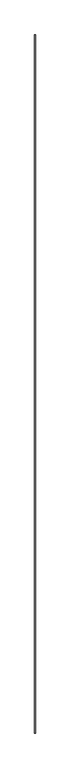
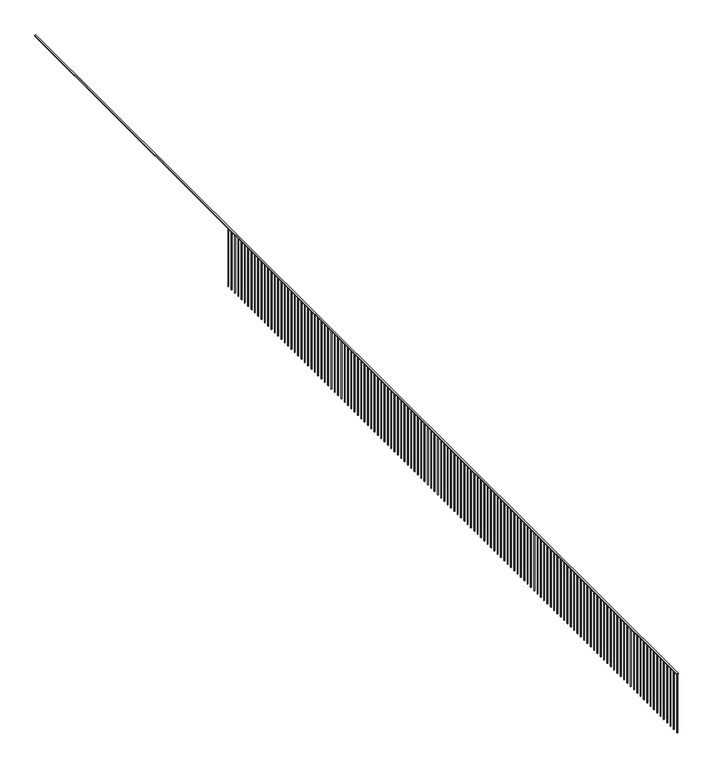
"""IFC4 building model written with IfcOpenShell, lengths in millimetres: railing geometry."""

from ifc_helpers import new_model, si_unit, frame, origin, place, context, project, spatial, polyline, outline, extrude, source, transform, mapped, element, save


def railing_a6a28116(model_context):
    return source(origin(), model_context, "Body", "SweptSolid", [
        extrude(outline(polyline([(58140.1428488, 42427.9846524), (58190.1428488, 42427.9846524), (58190.1428488, -10672.0153476), (58140.1428488, -10672.0153476), (58140.1428488, 42427.9846524)])), frame((0.0, 0.0, 4850.0), z_axis=(0.0, 0.0, 1.0), x_axis=(1.0, 0.0, 0.0)), (0.0, 0.0, 1.0), 50.0),
        extrude(outline(polyline([(58152.6428488, -10634.5153476), (58177.6428488, -10634.5153476), (58177.6428488, -10659.5153476), (58152.6428488, -10659.5153476), (58152.6428488, -10634.5153476)])), frame((0.0, 0.0, 1900.0), z_axis=(0.0, 0.0, 1.0), x_axis=(1.0, 0.0, 0.0)), (0.0, 0.0, 1.0), 2950.0),
        extrude(outline(polyline([(58152.6428488, -10359.5153476), (58177.6428488, -10359.5153476), (58177.6428488, -10384.5153476), (58152.6428488, -10384.5153476), (58152.6428488, -10359.5153476)])), frame((0.0, 0.0, 1900.0), z_axis=(0.0, 0.0, 1.0), x_axis=(1.0, 0.0, 0.0)), (0.0, 0.0, 1.0), 2950.0),
        extrude(outline(polyline([(58152.6428488, -10084.5153476), (58177.6428488, -10084.5153476), (58177.6428488, -10109.5153476), (58152.6428488, -10109.5153476), (58152.6428488, -10084.5153476)])), frame((0.0, 0.0, 1900.0), z_axis=(0.0, 0.0, 1.0), x_axis=(1.0, 0.0, 0.0)), (0.0, 0.0, 1.0), 2950.0),
        extrude(outline(polyline([(58152.6428488, -9809.5153476), (58177.6428488, -9809.5153476), (58177.6428488, -9834.5153476), (58152.6428488, -9834.5153476), (58152.6428488, -9809.5153476)])), frame((0.0, 0.0, 1900.0), z_axis=(0.0, 0.0, 1.0), x_axis=(1.0, 0.0, 0.0)), (0.0, 0.0, 1.0), 2950.0),
        extrude(outline(polyline([(58152.6428488, -9534.5153476), (58177.6428488, -9534.5153476), (58177.6428488, -9559.5153476), (58152.6428488, -9559.5153476), (58152.6428488, -9534.5153476)])), frame((0.0, 0.0, 1900.0), z_axis=(0.0, 0.0, 1.0), x_axis=(1.0, 0.0, 0.0)), (0.0, 0.0, 1.0), 2950.0),
        extrude(outline(polyline([(58152.6428488, -9259.5153476), (58177.6428488, -9259.5153476), (58177.6428488, -9284.5153476), (58152.6428488, -9284.5153476), (58152.6428488, -9259.5153476)])), frame((0.0, 0.0, 1900.0), z_axis=(0.0, 0.0, 1.0), x_axis=(1.0, 0.0, 0.0)), (0.0, 0.0, 1.0), 2950.0),
        extrude(outline(polyline([(58152.6428488, -8984.5153476), (58177.6428488, -8984.5153476), (58177.6428488, -9009.5153476), (58152.6428488, -9009.5153476), (58152.6428488, -8984.5153476)])), frame((0.0, 0.0, 1900.0), z_axis=(0.0, 0.0, 1.0), x_axis=(1.0, 0.0, 0.0)), (0.0, 0.0, 1.0), 2950.0),
        extrude(outline(polyline([(58152.6428488, -8709.5153476), (58177.6428488, -8709.5153476), (58177.6428488, -8734.5153476), (58152.6428488, -8734.5153476), (58152.6428488, -8709.5153476)])), frame((0.0, 0.0, 1900.0), z_axis=(0.0, 0.0, 1.0), x_axis=(1.0, 0.0, 0.0)), (0.0, 0.0, 1.0), 2950.0),
        extrude(outline(polyline([(58152.6428488, -8434.5153476), (58177.6428488, -8434.5153476), (58177.6428488, -8459.5153476), (58152.6428488, -8459.5153476), (58152.6428488, -8434.5153476)])), frame((0.0, 0.0, 1900.0), z_axis=(0.0, 0.0, 1.0), x_axis=(1.0, 0.0, 0.0)), (0.0, 0.0, 1.0), 2950.0),
        extrude(outline(polyline([(58152.6428488, -8159.5153476), (58177.6428488, -8159.5153476), (58177.6428488, -8184.5153476), (58152.6428488, -8184.5153476), (58152.6428488, -8159.5153476)])), frame((0.0, 0.0, 1900.0), z_axis=(0.0, 0.0, 1.0), x_axis=(1.0, 0.0, 0.0)), (0.0, 0.0, 1.0), 2950.0),
        extrude(outline(polyline([(58152.6428488, -7884.5153476), (58177.6428488, -7884.5153476), (58177.6428488, -7909.5153476), (58152.6428488, -7909.5153476), (58152.6428488, -7884.5153476)])), frame((0.0, 0.0, 1900.0), z_axis=(0.0, 0.0, 1.0), x_axis=(1.0, 0.0, 0.0)), (0.0, 0.0, 1.0), 2950.0),
        extrude(outline(polyline([(58152.6428488, -7609.5153476), (58177.6428488, -7609.5153476), (58177.6428488, -7634.5153476), (58152.6428488, -7634.5153476), (58152.6428488, -7609.5153476)])), frame((0.0, 0.0, 1900.0), z_axis=(0.0, 0.0, 1.0), x_axis=(1.0, 0.0, 0.0)), (0.0, 0.0, 1.0), 2950.0),
        extrude(outline(polyline([(58152.6428488, -7334.5153476), (58177.6428488, -7334.5153476), (58177.6428488, -7359.5153476), (58152.6428488, -7359.5153476), (58152.6428488, -7334.5153476)])), frame((0.0, 0.0, 1900.0), z_axis=(0.0, 0.0, 1.0), x_axis=(1.0, 0.0, 0.0)), (0.0, 0.0, 1.0), 2950.0),
        extrude(outline(polyline([(58152.6428488, -7059.5153476), (58177.6428488, -7059.5153476), (58177.6428488, -7084.5153476), (58152.6428488, -7084.5153476), (58152.6428488, -7059.5153476)])), frame((0.0, 0.0, 1900.0), z_axis=(0.0, 0.0, 1.0), x_axis=(1.0, 0.0, 0.0)), (0.0, 0.0, 1.0), 2950.0),
        extrude(outline(polyline([(58152.6428488, -6784.5153476), (58177.6428488, -6784.5153476), (58177.6428488, -6809.5153476), (58152.6428488, -6809.5153476), (58152.6428488, -6784.5153476)])), frame((0.0, 0.0, 1900.0), z_axis=(0.0, 0.0, 1.0), x_axis=(1.0, 0.0, 0.0)), (0.0, 0.0, 1.0), 2950.0),
        extrude(outline(polyline([(58152.6428488, -6509.5153476), (58177.6428488, -6509.5153476), (58177.6428488, -6534.5153476), (58152.6428488, -6534.5153476), (58152.6428488, -6509.5153476)])), frame((0.0, 0.0, 1900.0), z_axis=(0.0, 0.0, 1.0), x_axis=(1.0, 0.0, 0.0)), (0.0, 0.0, 1.0), 2950.0),
        extrude(outline(polyline([(58152.6428488, -6234.5153476), (58177.6428488, -6234.5153476), (58177.6428488, -6259.5153476), (58152.6428488, -6259.5153476), (58152.6428488, -6234.5153476)])), frame((0.0, 0.0, 1900.0), z_axis=(0.0, 0.0, 1.0), x_axis=(1.0, 0.0, 0.0)), (0.0, 0.0, 1.0), 2950.0),
        extrude(outline(polyline([(58152.6428488, -5959.5153476), (58177.6428488, -5959.5153476), (58177.6428488, -5984.5153476), (58152.6428488, -5984.5153476), (58152.6428488, -5959.5153476)])), frame((0.0, 0.0, 1900.0), z_axis=(0.0, 0.0, 1.0), x_axis=(1.0, 0.0, 0.0)), (0.0, 0.0, 1.0), 2950.0),
        extrude(outline(polyline([(58152.6428488, -5684.5153476), (58177.6428488, -5684.5153476), (58177.6428488, -5709.5153476), (58152.6428488, -5709.5153476), (58152.6428488, -5684.5153476)])), frame((0.0, 0.0, 1900.0), z_axis=(0.0, 0.0, 1.0), x_axis=(1.0, 0.0, 0.0)), (0.0, 0.0, 1.0), 2950.0),
        extrude(outline(polyline([(58152.6428488, -5409.5153476), (58177.6428488, -5409.5153476), (58177.6428488, -5434.5153476), (58152.6428488, -5434.5153476), (58152.6428488, -5409.5153476)])), frame((0.0, 0.0, 1900.0), z_axis=(0.0, 0.0, 1.0), x_axis=(1.0, 0.0, 0.0)), (0.0, 0.0, 1.0), 2950.0),
        extrude(outline(polyline([(58152.6428488, -5134.5153476), (58177.6428488, -5134.5153476), (58177.6428488, -5159.5153476), (58152.6428488, -5159.5153476), (58152.6428488, -5134.5153476)])), frame((0.0, 0.0, 1900.0), z_axis=(0.0, 0.0, 1.0), x_axis=(1.0, 0.0, 0.0)), (0.0, 0.0, 1.0), 2950.0),
        extrude(outline(polyline([(58152.6428488, -4859.5153476), (58177.6428488, -4859.5153476), (58177.6428488, -4884.5153476), (58152.6428488, -4884.5153476), (58152.6428488, -4859.5153476)])), frame((0.0, 0.0, 1900.0), z_axis=(0.0, 0.0, 1.0), x_axis=(1.0, 0.0, 0.0)), (0.0, 0.0, 1.0), 2950.0),
        extrude(outline(polyline([(58152.6428488, -4584.5153476), (58177.6428488, -4584.5153476), (58177.6428488, -4609.5153476), (58152.6428488, -4609.5153476), (58152.6428488, -4584.5153476)])), frame((0.0, 0.0, 1900.0), z_axis=(0.0, 0.0, 1.0), x_axis=(1.0, 0.0, 0.0)), (0.0, 0.0, 1.0), 2950.0),
        extrude(outline(polyline([(58152.6428488, -4309.5153476), (58177.6428488, -4309.5153476), (58177.6428488, -4334.5153476), (58152.6428488, -4334.5153476), (58152.6428488, -4309.5153476)])), frame((0.0, 0.0, 1900.0), z_axis=(0.0, 0.0, 1.0), x_axis=(1.0, 0.0, 0.0)), (0.0, 0.0, 1.0), 2950.0),
        extrude(outline(polyline([(58152.6428488, -4034.5153476), (58177.6428488, -4034.5153476), (58177.6428488, -4059.5153476), (58152.6428488, -4059.5153476), (58152.6428488, -4034.5153476)])), frame((0.0, 0.0, 1900.0), z_axis=(0.0, 0.0, 1.0), x_axis=(1.0, 0.0, 0.0)), (0.0, 0.0, 1.0), 2950.0),
        extrude(outline(polyline([(58152.6428488, -3759.5153476), (58177.6428488, -3759.5153476), (58177.6428488, -3784.5153476), (58152.6428488, -3784.5153476), (58152.6428488, -3759.5153476)])), frame((0.0, 0.0, 1900.0), z_axis=(0.0, 0.0, 1.0), x_axis=(1.0, 0.0, 0.0)), (0.0, 0.0, 1.0), 2950.0),
        extrude(outline(polyline([(58152.6428488, -3484.5153476), (58177.6428488, -3484.5153476), (58177.6428488, -3509.5153476), (58152.6428488, -3509.5153476), (58152.6428488, -3484.5153476)])), frame((0.0, 0.0, 1900.0), z_axis=(0.0, 0.0, 1.0), x_axis=(1.0, 0.0, 0.0)), (0.0, 0.0, 1.0), 2950.0),
        extrude(outline(polyline([(58152.6428488, -3209.5153476), (58177.6428488, -3209.5153476), (58177.6428488, -3234.5153476), (58152.6428488, -3234.5153476), (58152.6428488, -3209.5153476)])), frame((0.0, 0.0, 1900.0), z_axis=(0.0, 0.0, 1.0), x_axis=(1.0, 0.0, 0.0)), (0.0, 0.0, 1.0), 2950.0),
        extrude(outline(polyline([(58152.6428488, -2934.5153476), (58177.6428488, -2934.5153476), (58177.6428488, -2959.5153476), (58152.6428488, -2959.5153476), (58152.6428488, -2934.5153476)])), frame((0.0, 0.0, 1900.0), z_axis=(0.0, 0.0, 1.0), x_axis=(1.0, 0.0, 0.0)), (0.0, 0.0, 1.0), 2950.0),
        extrude(outline(polyline([(58152.6428488, -2659.5153476), (58177.6428488, -2659.5153476), (58177.6428488, -2684.5153476), (58152.6428488, -2684.5153476), (58152.6428488, -2659.5153476)])), frame((0.0, 0.0, 1900.0), z_axis=(0.0, 0.0, 1.0), x_axis=(1.0, 0.0, 0.0)), (0.0, 0.0, 1.0), 2950.0),
        extrude(outline(polyline([(58152.6428488, -2384.5153476), (58177.6428488, -2384.5153476), (58177.6428488, -2409.5153476), (58152.6428488, -2409.5153476), (58152.6428488, -2384.5153476)])), frame((0.0, 0.0, 1900.0), z_axis=(0.0, 0.0, 1.0), x_axis=(1.0, 0.0, 0.0)), (0.0, 0.0, 1.0), 2950.0),
        extrude(outline(polyline([(58152.6428488, -2109.5153476), (58177.6428488, -2109.5153476), (58177.6428488, -2134.5153476), (58152.6428488, -2134.5153476), (58152.6428488, -2109.5153476)])), frame((0.0, 0.0, 1900.0), z_axis=(0.0, 0.0, 1.0), x_axis=(1.0, 0.0, 0.0)), (0.0, 0.0, 1.0), 2950.0),
        extrude(outline(polyline([(58152.6428488, -1834.5153476), (58177.6428488, -1834.5153476), (58177.6428488, -1859.5153476), (58152.6428488, -1859.5153476), (58152.6428488, -1834.5153476)])), frame((0.0, 0.0, 1900.0), z_axis=(0.0, 0.0, 1.0), x_axis=(1.0, 0.0, 0.0)), (0.0, 0.0, 1.0), 2950.0),
        extrude(outline(polyline([(58152.6428488, -1559.5153476), (58177.6428488, -1559.5153476), (58177.6428488, -1584.5153476), (58152.6428488, -1584.5153476), (58152.6428488, -1559.5153476)])), frame((0.0, 0.0, 1900.0), z_axis=(0.0, 0.0, 1.0), x_axis=(1.0, 0.0, 0.0)), (0.0, 0.0, 1.0), 2950.0),
        extrude(outline(polyline([(58152.6428488, -1284.5153476), (58177.6428488, -1284.5153476), (58177.6428488, -1309.5153476), (58152.6428488, -1309.5153476), (58152.6428488, -1284.5153476)])), frame((0.0, 0.0, 1900.0), z_axis=(0.0, 0.0, 1.0), x_axis=(1.0, 0.0, 0.0)), (0.0, 0.0, 1.0), 2950.0),
        extrude(outline(polyline([(58152.6428488, -1009.5153476), (58177.6428488, -1009.5153476), (58177.6428488, -1034.5153476), (58152.6428488, -1034.5153476), (58152.6428488, -1009.5153476)])), frame((0.0, 0.0, 1900.0), z_axis=(0.0, 0.0, 1.0), x_axis=(1.0, 0.0, 0.0)), (0.0, 0.0, 1.0), 2950.0),
        extrude(outline(polyline([(58152.6428488, -734.5153476), (58177.6428488, -734.5153476), (58177.6428488, -759.5153476), (58152.6428488, -759.5153476), (58152.6428488, -734.5153476)])), frame((0.0, 0.0, 1900.0), z_axis=(0.0, 0.0, 1.0), x_axis=(1.0, 0.0, 0.0)), (0.0, 0.0, 1.0), 2950.0),
        extrude(outline(polyline([(58152.6428488, -459.5153476), (58177.6428488, -459.5153476), (58177.6428488, -484.5153476), (58152.6428488, -484.5153476), (58152.6428488, -459.5153476)])), frame((0.0, 0.0, 1900.0), z_axis=(0.0, 0.0, 1.0), x_axis=(1.0, 0.0, 0.0)), (0.0, 0.0, 1.0), 2950.0),
        extrude(outline(polyline([(58152.6428488, -184.5153476), (58177.6428488, -184.5153476), (58177.6428488, -209.5153476), (58152.6428488, -209.5153476), (58152.6428488, -184.5153476)])), frame((0.0, 0.0, 1900.0), z_axis=(0.0, 0.0, 1.0), x_axis=(1.0, 0.0, 0.0)), (0.0, 0.0, 1.0), 2950.0),
        extrude(outline(polyline([(58152.6428488, 90.4846524), (58177.6428488, 90.4846524), (58177.6428488, 65.4846524), (58152.6428488, 65.4846524), (58152.6428488, 90.4846524)])), frame((0.0, 0.0, 1900.0), z_axis=(0.0, 0.0, 1.0), x_axis=(1.0, 0.0, 0.0)), (0.0, 0.0, 1.0), 2950.0),
        extrude(outline(polyline([(58152.6428488, 365.4846524), (58177.6428488, 365.4846524), (58177.6428488, 340.4846524), (58152.6428488, 340.4846524), (58152.6428488, 365.4846524)])), frame((0.0, 0.0, 1900.0), z_axis=(0.0, 0.0, 1.0), x_axis=(1.0, 0.0, 0.0)), (0.0, 0.0, 1.0), 2950.0),
        extrude(outline(polyline([(58152.6428488, 640.4846524), (58177.6428488, 640.4846524), (58177.6428488, 615.4846524), (58152.6428488, 615.4846524), (58152.6428488, 640.4846524)])), frame((0.0, 0.0, 1900.0), z_axis=(0.0, 0.0, 1.0), x_axis=(1.0, 0.0, 0.0)), (0.0, 0.0, 1.0), 2950.0),
        extrude(outline(polyline([(58152.6428488, 915.4846524), (58177.6428488, 915.4846524), (58177.6428488, 890.4846524), (58152.6428488, 890.4846524), (58152.6428488, 915.4846524)])), frame((0.0, 0.0, 1900.0), z_axis=(0.0, 0.0, 1.0), x_axis=(1.0, 0.0, 0.0)), (0.0, 0.0, 1.0), 2950.0),
        extrude(outline(polyline([(58152.6428488, 1190.4846524), (58177.6428488, 1190.4846524), (58177.6428488, 1165.4846524), (58152.6428488, 1165.4846524), (58152.6428488, 1190.4846524)])), frame((0.0, 0.0, 1900.0), z_axis=(0.0, 0.0, 1.0), x_axis=(1.0, 0.0, 0.0)), (0.0, 0.0, 1.0), 2950.0),
        extrude(outline(polyline([(58152.6428488, 1465.4846524), (58177.6428488, 1465.4846524), (58177.6428488, 1440.4846524), (58152.6428488, 1440.4846524), (58152.6428488, 1465.4846524)])), frame((0.0, 0.0, 1900.0), z_axis=(0.0, 0.0, 1.0), x_axis=(1.0, 0.0, 0.0)), (0.0, 0.0, 1.0), 2950.0),
        extrude(outline(polyline([(58152.6428488, 1740.4846524), (58177.6428488, 1740.4846524), (58177.6428488, 1715.4846524), (58152.6428488, 1715.4846524), (58152.6428488, 1740.4846524)])), frame((0.0, 0.0, 1900.0), z_axis=(0.0, 0.0, 1.0), x_axis=(1.0, 0.0, 0.0)), (0.0, 0.0, 1.0), 2950.0),
        extrude(outline(polyline([(58152.6428488, 2015.4846524), (58177.6428488, 2015.4846524), (58177.6428488, 1990.4846524), (58152.6428488, 1990.4846524), (58152.6428488, 2015.4846524)])), frame((0.0, 0.0, 1900.0), z_axis=(0.0, 0.0, 1.0), x_axis=(1.0, 0.0, 0.0)), (0.0, 0.0, 1.0), 2950.0),
        extrude(outline(polyline([(58152.6428488, 2290.4846524), (58177.6428488, 2290.4846524), (58177.6428488, 2265.4846524), (58152.6428488, 2265.4846524), (58152.6428488, 2290.4846524)])), frame((0.0, 0.0, 1900.0), z_axis=(0.0, 0.0, 1.0), x_axis=(1.0, 0.0, 0.0)), (0.0, 0.0, 1.0), 2950.0),
        extrude(outline(polyline([(58152.6428488, 2565.4846524), (58177.6428488, 2565.4846524), (58177.6428488, 2540.4846524), (58152.6428488, 2540.4846524), (58152.6428488, 2565.4846524)])), frame((0.0, 0.0, 1900.0), z_axis=(0.0, 0.0, 1.0), x_axis=(1.0, 0.0, 0.0)), (0.0, 0.0, 1.0), 2950.0),
        extrude(outline(polyline([(58152.6428488, 2840.4846524), (58177.6428488, 2840.4846524), (58177.6428488, 2815.4846524), (58152.6428488, 2815.4846524), (58152.6428488, 2840.4846524)])), frame((0.0, 0.0, 1900.0), z_axis=(0.0, 0.0, 1.0), x_axis=(1.0, 0.0, 0.0)), (0.0, 0.0, 1.0), 2950.0),
        extrude(outline(polyline([(58152.6428488, 3115.4846524), (58177.6428488, 3115.4846524), (58177.6428488, 3090.4846524), (58152.6428488, 3090.4846524), (58152.6428488, 3115.4846524)])), frame((0.0, 0.0, 1900.0), z_axis=(0.0, 0.0, 1.0), x_axis=(1.0, 0.0, 0.0)), (0.0, 0.0, 1.0), 2950.0),
        extrude(outline(polyline([(58152.6428488, 3390.4846524), (58177.6428488, 3390.4846524), (58177.6428488, 3365.4846524), (58152.6428488, 3365.4846524), (58152.6428488, 3390.4846524)])), frame((0.0, 0.0, 1900.0), z_axis=(0.0, 0.0, 1.0), x_axis=(1.0, 0.0, 0.0)), (0.0, 0.0, 1.0), 2950.0),
        extrude(outline(polyline([(58152.6428488, 3665.4846524), (58177.6428488, 3665.4846524), (58177.6428488, 3640.4846524), (58152.6428488, 3640.4846524), (58152.6428488, 3665.4846524)])), frame((0.0, 0.0, 1900.0), z_axis=(0.0, 0.0, 1.0), x_axis=(1.0, 0.0, 0.0)), (0.0, 0.0, 1.0), 2950.0),
        extrude(outline(polyline([(58152.6428488, 3940.4846524), (58177.6428488, 3940.4846524), (58177.6428488, 3915.4846524), (58152.6428488, 3915.4846524), (58152.6428488, 3940.4846524)])), frame((0.0, 0.0, 1900.0), z_axis=(0.0, 0.0, 1.0), x_axis=(1.0, 0.0, 0.0)), (0.0, 0.0, 1.0), 2950.0),
        extrude(outline(polyline([(58152.6428488, 4215.4846524), (58177.6428488, 4215.4846524), (58177.6428488, 4190.4846524), (58152.6428488, 4190.4846524), (58152.6428488, 4215.4846524)])), frame((0.0, 0.0, 1900.0), z_axis=(0.0, 0.0, 1.0), x_axis=(1.0, 0.0, 0.0)), (0.0, 0.0, 1.0), 2950.0),
        extrude(outline(polyline([(58152.6428488, 4490.4846524), (58177.6428488, 4490.4846524), (58177.6428488, 4465.4846524), (58152.6428488, 4465.4846524), (58152.6428488, 4490.4846524)])), frame((0.0, 0.0, 1900.0), z_axis=(0.0, 0.0, 1.0), x_axis=(1.0, 0.0, 0.0)), (0.0, 0.0, 1.0), 2950.0),
        extrude(outline(polyline([(58152.6428488, 4765.4846524), (58177.6428488, 4765.4846524), (58177.6428488, 4740.4846524), (58152.6428488, 4740.4846524), (58152.6428488, 4765.4846524)])), frame((0.0, 0.0, 1900.0), z_axis=(0.0, 0.0, 1.0), x_axis=(1.0, 0.0, 0.0)), (0.0, 0.0, 1.0), 2950.0),
        extrude(outline(polyline([(58152.6428488, 5040.4846524), (58177.6428488, 5040.4846524), (58177.6428488, 5015.4846524), (58152.6428488, 5015.4846524), (58152.6428488, 5040.4846524)])), frame((0.0, 0.0, 1900.0), z_axis=(0.0, 0.0, 1.0), x_axis=(1.0, 0.0, 0.0)), (0.0, 0.0, 1.0), 2950.0),
        extrude(outline(polyline([(58152.6428488, 5315.4846524), (58177.6428488, 5315.4846524), (58177.6428488, 5290.4846524), (58152.6428488, 5290.4846524), (58152.6428488, 5315.4846524)])), frame((0.0, 0.0, 1900.0), z_axis=(0.0, 0.0, 1.0), x_axis=(1.0, 0.0, 0.0)), (0.0, 0.0, 1.0), 2950.0),
        extrude(outline(polyline([(58152.6428488, 5590.4846524), (58177.6428488, 5590.4846524), (58177.6428488, 5565.4846524), (58152.6428488, 5565.4846524), (58152.6428488, 5590.4846524)])), frame((0.0, 0.0, 1900.0), z_axis=(0.0, 0.0, 1.0), x_axis=(1.0, 0.0, 0.0)), (0.0, 0.0, 1.0), 2950.0),
        extrude(outline(polyline([(58152.6428488, 5865.4846524), (58177.6428488, 5865.4846524), (58177.6428488, 5840.4846524), (58152.6428488, 5840.4846524), (58152.6428488, 5865.4846524)])), frame((0.0, 0.0, 1900.0), z_axis=(0.0, 0.0, 1.0), x_axis=(1.0, 0.0, 0.0)), (0.0, 0.0, 1.0), 2950.0),
        extrude(outline(polyline([(58152.6428488, 6140.4846524), (58177.6428488, 6140.4846524), (58177.6428488, 6115.4846524), (58152.6428488, 6115.4846524), (58152.6428488, 6140.4846524)])), frame((0.0, 0.0, 1900.0), z_axis=(0.0, 0.0, 1.0), x_axis=(1.0, 0.0, 0.0)), (0.0, 0.0, 1.0), 2950.0),
        extrude(outline(polyline([(58152.6428488, 6415.4846524), (58177.6428488, 6415.4846524), (58177.6428488, 6390.4846524), (58152.6428488, 6390.4846524), (58152.6428488, 6415.4846524)])), frame((0.0, 0.0, 1900.0), z_axis=(0.0, 0.0, 1.0), x_axis=(1.0, 0.0, 0.0)), (0.0, 0.0, 1.0), 2950.0),
        extrude(outline(polyline([(58152.6428488, 6690.4846524), (58177.6428488, 6690.4846524), (58177.6428488, 6665.4846524), (58152.6428488, 6665.4846524), (58152.6428488, 6690.4846524)])), frame((0.0, 0.0, 1900.0), z_axis=(0.0, 0.0, 1.0), x_axis=(1.0, 0.0, 0.0)), (0.0, 0.0, 1.0), 2950.0),
        extrude(outline(polyline([(58152.6428488, 6965.4846524), (58177.6428488, 6965.4846524), (58177.6428488, 6940.4846524), (58152.6428488, 6940.4846524), (58152.6428488, 6965.4846524)])), frame((0.0, 0.0, 1900.0), z_axis=(0.0, 0.0, 1.0), x_axis=(1.0, 0.0, 0.0)), (0.0, 0.0, 1.0), 2950.0),
        extrude(outline(polyline([(58152.6428488, 7240.4846524), (58177.6428488, 7240.4846524), (58177.6428488, 7215.4846524), (58152.6428488, 7215.4846524), (58152.6428488, 7240.4846524)])), frame((0.0, 0.0, 1900.0), z_axis=(0.0, 0.0, 1.0), x_axis=(1.0, 0.0, 0.0)), (0.0, 0.0, 1.0), 2950.0),
        extrude(outline(polyline([(58152.6428488, 7515.4846524), (58177.6428488, 7515.4846524), (58177.6428488, 7490.4846524), (58152.6428488, 7490.4846524), (58152.6428488, 7515.4846524)])), frame((0.0, 0.0, 1900.0), z_axis=(0.0, 0.0, 1.0), x_axis=(1.0, 0.0, 0.0)), (0.0, 0.0, 1.0), 2950.0),
        extrude(outline(polyline([(58152.6428488, 7790.4846524), (58177.6428488, 7790.4846524), (58177.6428488, 7765.4846524), (58152.6428488, 7765.4846524), (58152.6428488, 7790.4846524)])), frame((0.0, 0.0, 1900.0), z_axis=(0.0, 0.0, 1.0), x_axis=(1.0, 0.0, 0.0)), (0.0, 0.0, 1.0), 2950.0),
        extrude(outline(polyline([(58152.6428488, 8065.4846524), (58177.6428488, 8065.4846524), (58177.6428488, 8040.4846524), (58152.6428488, 8040.4846524), (58152.6428488, 8065.4846524)])), frame((0.0, 0.0, 1900.0), z_axis=(0.0, 0.0, 1.0), x_axis=(1.0, 0.0, 0.0)), (0.0, 0.0, 1.0), 2950.0),
        extrude(outline(polyline([(58152.6428488, 8340.4846524), (58177.6428488, 8340.4846524), (58177.6428488, 8315.4846524), (58152.6428488, 8315.4846524), (58152.6428488, 8340.4846524)])), frame((0.0, 0.0, 1900.0), z_axis=(0.0, 0.0, 1.0), x_axis=(1.0, 0.0, 0.0)), (0.0, 0.0, 1.0), 2950.0),
        extrude(outline(polyline([(58152.6428488, 8615.4846524), (58177.6428488, 8615.4846524), (58177.6428488, 8590.4846524), (58152.6428488, 8590.4846524), (58152.6428488, 8615.4846524)])), frame((0.0, 0.0, 1900.0), z_axis=(0.0, 0.0, 1.0), x_axis=(1.0, 0.0, 0.0)), (0.0, 0.0, 1.0), 2950.0),
        extrude(outline(polyline([(58152.6428488, 8890.4846524), (58177.6428488, 8890.4846524), (58177.6428488, 8865.4846524), (58152.6428488, 8865.4846524), (58152.6428488, 8890.4846524)])), frame((0.0, 0.0, 1900.0), z_axis=(0.0, 0.0, 1.0), x_axis=(1.0, 0.0, 0.0)), (0.0, 0.0, 1.0), 2950.0),
        extrude(outline(polyline([(58152.6428488, 9165.4846524), (58177.6428488, 9165.4846524), (58177.6428488, 9140.4846524), (58152.6428488, 9140.4846524), (58152.6428488, 9165.4846524)])), frame((0.0, 0.0, 1900.0), z_axis=(0.0, 0.0, 1.0), x_axis=(1.0, 0.0, 0.0)), (0.0, 0.0, 1.0), 2950.0),
        extrude(outline(polyline([(58152.6428488, 9440.4846524), (58177.6428488, 9440.4846524), (58177.6428488, 9415.4846524), (58152.6428488, 9415.4846524), (58152.6428488, 9440.4846524)])), frame((0.0, 0.0, 1900.0), z_axis=(0.0, 0.0, 1.0), x_axis=(1.0, 0.0, 0.0)), (0.0, 0.0, 1.0), 2950.0),
        extrude(outline(polyline([(58152.6428488, 9715.4846524), (58177.6428488, 9715.4846524), (58177.6428488, 9690.4846524), (58152.6428488, 9690.4846524), (58152.6428488, 9715.4846524)])), frame((0.0, 0.0, 1900.0), z_axis=(0.0, 0.0, 1.0), x_axis=(1.0, 0.0, 0.0)), (0.0, 0.0, 1.0), 2950.0),
        extrude(outline(polyline([(58152.6428488, 9990.4846524), (58177.6428488, 9990.4846524), (58177.6428488, 9965.4846524), (58152.6428488, 9965.4846524), (58152.6428488, 9990.4846524)])), frame((0.0, 0.0, 1900.0), z_axis=(0.0, 0.0, 1.0), x_axis=(1.0, 0.0, 0.0)), (0.0, 0.0, 1.0), 2950.0),
        extrude(outline(polyline([(58152.6428488, 10265.4846524), (58177.6428488, 10265.4846524), (58177.6428488, 10240.4846524), (58152.6428488, 10240.4846524), (58152.6428488, 10265.4846524)])), frame((0.0, 0.0, 1900.0), z_axis=(0.0, 0.0, 1.0), x_axis=(1.0, 0.0, 0.0)), (0.0, 0.0, 1.0), 2950.0),
        extrude(outline(polyline([(58152.6428488, 10540.4846524), (58177.6428488, 10540.4846524), (58177.6428488, 10515.4846524), (58152.6428488, 10515.4846524), (58152.6428488, 10540.4846524)])), frame((0.0, 0.0, 1900.0), z_axis=(0.0, 0.0, 1.0), x_axis=(1.0, 0.0, 0.0)), (0.0, 0.0, 1.0), 2950.0),
        extrude(outline(polyline([(58152.6428488, 10815.4846524), (58177.6428488, 10815.4846524), (58177.6428488, 10790.4846524), (58152.6428488, 10790.4846524), (58152.6428488, 10815.4846524)])), frame((0.0, 0.0, 1900.0), z_axis=(0.0, 0.0, 1.0), x_axis=(1.0, 0.0, 0.0)), (0.0, 0.0, 1.0), 2950.0),
        extrude(outline(polyline([(58152.6428488, 11090.4846524), (58177.6428488, 11090.4846524), (58177.6428488, 11065.4846524), (58152.6428488, 11065.4846524), (58152.6428488, 11090.4846524)])), frame((0.0, 0.0, 1900.0), z_axis=(0.0, 0.0, 1.0), x_axis=(1.0, 0.0, 0.0)), (0.0, 0.0, 1.0), 2950.0),
        extrude(outline(polyline([(58152.6428488, 11365.4846524), (58177.6428488, 11365.4846524), (58177.6428488, 11340.4846524), (58152.6428488, 11340.4846524), (58152.6428488, 11365.4846524)])), frame((0.0, 0.0, 1900.0), z_axis=(0.0, 0.0, 1.0), x_axis=(1.0, 0.0, 0.0)), (0.0, 0.0, 1.0), 2950.0),
        extrude(outline(polyline([(58152.6428488, 11640.4846524), (58177.6428488, 11640.4846524), (58177.6428488, 11615.4846524), (58152.6428488, 11615.4846524), (58152.6428488, 11640.4846524)])), frame((0.0, 0.0, 1900.0), z_axis=(0.0, 0.0, 1.0), x_axis=(1.0, 0.0, 0.0)), (0.0, 0.0, 1.0), 2950.0),
        extrude(outline(polyline([(58152.6428488, 11915.4846524), (58177.6428488, 11915.4846524), (58177.6428488, 11890.4846524), (58152.6428488, 11890.4846524), (58152.6428488, 11915.4846524)])), frame((0.0, 0.0, 1900.0), z_axis=(0.0, 0.0, 1.0), x_axis=(1.0, 0.0, 0.0)), (0.0, 0.0, 1.0), 2950.0),
        extrude(outline(polyline([(58152.6428488, 12190.4846524), (58177.6428488, 12190.4846524), (58177.6428488, 12165.4846524), (58152.6428488, 12165.4846524), (58152.6428488, 12190.4846524)])), frame((0.0, 0.0, 1900.0), z_axis=(0.0, 0.0, 1.0), x_axis=(1.0, 0.0, 0.0)), (0.0, 0.0, 1.0), 2950.0),
        extrude(outline(polyline([(58152.6428488, 12465.4846524), (58177.6428488, 12465.4846524), (58177.6428488, 12440.4846524), (58152.6428488, 12440.4846524), (58152.6428488, 12465.4846524)])), frame((0.0, 0.0, 1900.0), z_axis=(0.0, 0.0, 1.0), x_axis=(1.0, 0.0, 0.0)), (0.0, 0.0, 1.0), 2950.0),
        extrude(outline(polyline([(58152.6428488, 12740.4846524), (58177.6428488, 12740.4846524), (58177.6428488, 12715.4846524), (58152.6428488, 12715.4846524), (58152.6428488, 12740.4846524)])), frame((0.0, 0.0, 1900.0), z_axis=(0.0, 0.0, 1.0), x_axis=(1.0, 0.0, 0.0)), (0.0, 0.0, 1.0), 2950.0),
        extrude(outline(polyline([(58152.6428488, 13015.4846524), (58177.6428488, 13015.4846524), (58177.6428488, 12990.4846524), (58152.6428488, 12990.4846524), (58152.6428488, 13015.4846524)])), frame((0.0, 0.0, 1900.0), z_axis=(0.0, 0.0, 1.0), x_axis=(1.0, 0.0, 0.0)), (0.0, 0.0, 1.0), 2950.0),
        extrude(outline(polyline([(58152.6428488, 13290.4846524), (58177.6428488, 13290.4846524), (58177.6428488, 13265.4846524), (58152.6428488, 13265.4846524), (58152.6428488, 13290.4846524)])), frame((0.0, 0.0, 1900.0), z_axis=(0.0, 0.0, 1.0), x_axis=(1.0, 0.0, 0.0)), (0.0, 0.0, 1.0), 2950.0),
        extrude(outline(polyline([(58152.6428488, 13565.4846524), (58177.6428488, 13565.4846524), (58177.6428488, 13540.4846524), (58152.6428488, 13540.4846524), (58152.6428488, 13565.4846524)])), frame((0.0, 0.0, 1900.0), z_axis=(0.0, 0.0, 1.0), x_axis=(1.0, 0.0, 0.0)), (0.0, 0.0, 1.0), 2950.0),
        extrude(outline(polyline([(58152.6428488, 13840.4846524), (58177.6428488, 13840.4846524), (58177.6428488, 13815.4846524), (58152.6428488, 13815.4846524), (58152.6428488, 13840.4846524)])), frame((0.0, 0.0, 1900.0), z_axis=(0.0, 0.0, 1.0), x_axis=(1.0, 0.0, 0.0)), (0.0, 0.0, 1.0), 2950.0),
        extrude(outline(polyline([(58152.6428488, 14115.4846524), (58177.6428488, 14115.4846524), (58177.6428488, 14090.4846524), (58152.6428488, 14090.4846524), (58152.6428488, 14115.4846524)])), frame((0.0, 0.0, 1900.0), z_axis=(0.0, 0.0, 1.0), x_axis=(1.0, 0.0, 0.0)), (0.0, 0.0, 1.0), 2950.0),
        extrude(outline(polyline([(58152.6428488, 14390.4846524), (58177.6428488, 14390.4846524), (58177.6428488, 14365.4846524), (58152.6428488, 14365.4846524), (58152.6428488, 14390.4846524)])), frame((0.0, 0.0, 1900.0), z_axis=(0.0, 0.0, 1.0), x_axis=(1.0, 0.0, 0.0)), (0.0, 0.0, 1.0), 2950.0),
        extrude(outline(polyline([(58152.6428488, 14665.4846524), (58177.6428488, 14665.4846524), (58177.6428488, 14640.4846524), (58152.6428488, 14640.4846524), (58152.6428488, 14665.4846524)])), frame((0.0, 0.0, 1900.0), z_axis=(0.0, 0.0, 1.0), x_axis=(1.0, 0.0, 0.0)), (0.0, 0.0, 1.0), 2950.0),
        extrude(outline(polyline([(58152.6428488, 14940.4846524), (58177.6428488, 14940.4846524), (58177.6428488, 14915.4846524), (58152.6428488, 14915.4846524), (58152.6428488, 14940.4846524)])), frame((0.0, 0.0, 1900.0), z_axis=(0.0, 0.0, 1.0), x_axis=(1.0, 0.0, 0.0)), (0.0, 0.0, 1.0), 2950.0),
        extrude(outline(polyline([(58152.6428488, 15215.4846524), (58177.6428488, 15215.4846524), (58177.6428488, 15190.4846524), (58152.6428488, 15190.4846524), (58152.6428488, 15215.4846524)])), frame((0.0, 0.0, 1900.0), z_axis=(0.0, 0.0, 1.0), x_axis=(1.0, 0.0, 0.0)), (0.0, 0.0, 1.0), 2950.0),
        extrude(outline(polyline([(58152.6428488, 15490.4846524), (58177.6428488, 15490.4846524), (58177.6428488, 15465.4846524), (58152.6428488, 15465.4846524), (58152.6428488, 15490.4846524)])), frame((0.0, 0.0, 1900.0), z_axis=(0.0, 0.0, 1.0), x_axis=(1.0, 0.0, 0.0)), (0.0, 0.0, 1.0), 2950.0),
        extrude(outline(polyline([(58152.6428488, 15765.4846524), (58177.6428488, 15765.4846524), (58177.6428488, 15740.4846524), (58152.6428488, 15740.4846524), (58152.6428488, 15765.4846524)])), frame((0.0, 0.0, 1900.0), z_axis=(0.0, 0.0, 1.0), x_axis=(1.0, 0.0, 0.0)), (0.0, 0.0, 1.0), 2950.0),
        extrude(outline(polyline([(58152.6428488, 16040.4846524), (58177.6428488, 16040.4846524), (58177.6428488, 16015.4846524), (58152.6428488, 16015.4846524), (58152.6428488, 16040.4846524)])), frame((0.0, 0.0, 1900.0), z_axis=(0.0, 0.0, 1.0), x_axis=(1.0, 0.0, 0.0)), (0.0, 0.0, 1.0), 2950.0),
        extrude(outline(polyline([(58152.6428488, 16315.4846524), (58177.6428488, 16315.4846524), (58177.6428488, 16290.4846524), (58152.6428488, 16290.4846524), (58152.6428488, 16315.4846524)])), frame((0.0, 0.0, 1900.0), z_axis=(0.0, 0.0, 1.0), x_axis=(1.0, 0.0, 0.0)), (0.0, 0.0, 1.0), 2950.0),
        extrude(outline(polyline([(58152.6428488, 16590.4846524), (58177.6428488, 16590.4846524), (58177.6428488, 16565.4846524), (58152.6428488, 16565.4846524), (58152.6428488, 16590.4846524)])), frame((0.0, 0.0, 1900.0), z_axis=(0.0, 0.0, 1.0), x_axis=(1.0, 0.0, 0.0)), (0.0, 0.0, 1.0), 2950.0),
        extrude(outline(polyline([(58152.6428488, 16865.4846524), (58177.6428488, 16865.4846524), (58177.6428488, 16840.4846524), (58152.6428488, 16840.4846524), (58152.6428488, 16865.4846524)])), frame((0.0, 0.0, 1900.0), z_axis=(0.0, 0.0, 1.0), x_axis=(1.0, 0.0, 0.0)), (0.0, 0.0, 1.0), 2950.0),
        extrude(outline(polyline([(58152.6428488, 17140.4846524), (58177.6428488, 17140.4846524), (58177.6428488, 17115.4846524), (58152.6428488, 17115.4846524), (58152.6428488, 17140.4846524)])), frame((0.0, 0.0, 1900.0), z_axis=(0.0, 0.0, 1.0), x_axis=(1.0, 0.0, 0.0)), (0.0, 0.0, 1.0), 2950.0),
        extrude(outline(polyline([(58152.6428488, 17415.4846524), (58177.6428488, 17415.4846524), (58177.6428488, 17390.4846524), (58152.6428488, 17390.4846524), (58152.6428488, 17415.4846524)])), frame((0.0, 0.0, 1900.0), z_axis=(0.0, 0.0, 1.0), x_axis=(1.0, 0.0, 0.0)), (0.0, 0.0, 1.0), 2950.0),
        extrude(outline(polyline([(58152.6428488, 17690.4846524), (58177.6428488, 17690.4846524), (58177.6428488, 17665.4846524), (58152.6428488, 17665.4846524), (58152.6428488, 17690.4846524)])), frame((0.0, 0.0, 1900.0), z_axis=(0.0, 0.0, 1.0), x_axis=(1.0, 0.0, 0.0)), (0.0, 0.0, 1.0), 2950.0),
        extrude(outline(polyline([(58152.6428488, 17965.4846524), (58177.6428488, 17965.4846524), (58177.6428488, 17940.4846524), (58152.6428488, 17940.4846524), (58152.6428488, 17965.4846524)])), frame((0.0, 0.0, 1900.0), z_axis=(0.0, 0.0, 1.0), x_axis=(1.0, 0.0, 0.0)), (0.0, 0.0, 1.0), 2950.0),
        extrude(outline(polyline([(58152.6428488, 18240.4846524), (58177.6428488, 18240.4846524), (58177.6428488, 18215.4846524), (58152.6428488, 18215.4846524), (58152.6428488, 18240.4846524)])), frame((0.0, 0.0, 1900.0), z_axis=(0.0, 0.0, 1.0), x_axis=(1.0, 0.0, 0.0)), (0.0, 0.0, 1.0), 2950.0),
        extrude(outline(polyline([(58152.6428488, 18515.4846524), (58177.6428488, 18515.4846524), (58177.6428488, 18490.4846524), (58152.6428488, 18490.4846524), (58152.6428488, 18515.4846524)])), frame((0.0, 0.0, 1900.0), z_axis=(0.0, 0.0, 1.0), x_axis=(1.0, 0.0, 0.0)), (0.0, 0.0, 1.0), 2950.0),
        extrude(outline(polyline([(58152.6428488, 18790.4846524), (58177.6428488, 18790.4846524), (58177.6428488, 18765.4846524), (58152.6428488, 18765.4846524), (58152.6428488, 18790.4846524)])), frame((0.0, 0.0, 1900.0), z_axis=(0.0, 0.0, 1.0), x_axis=(1.0, 0.0, 0.0)), (0.0, 0.0, 1.0), 2950.0),
        extrude(outline(polyline([(58152.6428488, 19065.4846524), (58177.6428488, 19065.4846524), (58177.6428488, 19040.4846524), (58152.6428488, 19040.4846524), (58152.6428488, 19065.4846524)])), frame((0.0, 0.0, 1900.0), z_axis=(0.0, 0.0, 1.0), x_axis=(1.0, 0.0, 0.0)), (0.0, 0.0, 1.0), 2950.0),
        extrude(outline(polyline([(58152.6428488, 19340.4846524), (58177.6428488, 19340.4846524), (58177.6428488, 19315.4846524), (58152.6428488, 19315.4846524), (58152.6428488, 19340.4846524)])), frame((0.0, 0.0, 1900.0), z_axis=(0.0, 0.0, 1.0), x_axis=(1.0, 0.0, 0.0)), (0.0, 0.0, 1.0), 2950.0),
        extrude(outline(polyline([(58152.6428488, 19615.4846524), (58177.6428488, 19615.4846524), (58177.6428488, 19590.4846524), (58152.6428488, 19590.4846524), (58152.6428488, 19615.4846524)])), frame((0.0, 0.0, 1900.0), z_axis=(0.0, 0.0, 1.0), x_axis=(1.0, 0.0, 0.0)), (0.0, 0.0, 1.0), 2950.0),
        extrude(outline(polyline([(58152.6428488, 19890.4846524), (58177.6428488, 19890.4846524), (58177.6428488, 19865.4846524), (58152.6428488, 19865.4846524), (58152.6428488, 19890.4846524)])), frame((0.0, 0.0, 1900.0), z_axis=(0.0, 0.0, 1.0), x_axis=(1.0, 0.0, 0.0)), (0.0, 0.0, 1.0), 2950.0),
        extrude(outline(polyline([(58152.6428488, 20165.4846524), (58177.6428488, 20165.4846524), (58177.6428488, 20140.4846524), (58152.6428488, 20140.4846524), (58152.6428488, 20165.4846524)])), frame((0.0, 0.0, 1900.0), z_axis=(0.0, 0.0, 1.0), x_axis=(1.0, 0.0, 0.0)), (0.0, 0.0, 1.0), 2950.0),
        extrude(outline(polyline([(58152.6428488, 20440.4846524), (58177.6428488, 20440.4846524), (58177.6428488, 20415.4846524), (58152.6428488, 20415.4846524), (58152.6428488, 20440.4846524)])), frame((0.0, 0.0, 1900.0), z_axis=(0.0, 0.0, 1.0), x_axis=(1.0, 0.0, 0.0)), (0.0, 0.0, 1.0), 2950.0),
        extrude(outline(polyline([(58152.6428488, 20715.4846524), (58177.6428488, 20715.4846524), (58177.6428488, 20690.4846524), (58152.6428488, 20690.4846524), (58152.6428488, 20715.4846524)])), frame((0.0, 0.0, 1900.0), z_axis=(0.0, 0.0, 1.0), x_axis=(1.0, 0.0, 0.0)), (0.0, 0.0, 1.0), 2950.0),
        extrude(outline(polyline([(58152.6428488, 20990.4846524), (58177.6428488, 20990.4846524), (58177.6428488, 20965.4846524), (58152.6428488, 20965.4846524), (58152.6428488, 20990.4846524)])), frame((0.0, 0.0, 1900.0), z_axis=(0.0, 0.0, 1.0), x_axis=(1.0, 0.0, 0.0)), (0.0, 0.0, 1.0), 2950.0),
        extrude(outline(polyline([(58152.6428488, 21265.4846524), (58177.6428488, 21265.4846524), (58177.6428488, 21240.4846524), (58152.6428488, 21240.4846524), (58152.6428488, 21265.4846524)])), frame((0.0, 0.0, 1900.0), z_axis=(0.0, 0.0, 1.0), x_axis=(1.0, 0.0, 0.0)), (0.0, 0.0, 1.0), 2950.0),
        extrude(outline(polyline([(58152.6428488, 21540.4846524), (58177.6428488, 21540.4846524), (58177.6428488, 21515.4846524), (58152.6428488, 21515.4846524), (58152.6428488, 21540.4846524)])), frame((0.0, 0.0, 1900.0), z_axis=(0.0, 0.0, 1.0), x_axis=(1.0, 0.0, 0.0)), (0.0, 0.0, 1.0), 2950.0),
        extrude(outline(polyline([(58152.6428488, 21815.4846524), (58177.6428488, 21815.4846524), (58177.6428488, 21790.4846524), (58152.6428488, 21790.4846524), (58152.6428488, 21815.4846524)])), frame((0.0, 0.0, 1900.0), z_axis=(0.0, 0.0, 1.0), x_axis=(1.0, 0.0, 0.0)), (0.0, 0.0, 1.0), 2950.0),
        extrude(outline(polyline([(58152.6428488, 22090.4846524), (58177.6428488, 22090.4846524), (58177.6428488, 22065.4846524), (58152.6428488, 22065.4846524), (58152.6428488, 22090.4846524)])), frame((0.0, 0.0, 1900.0), z_axis=(0.0, 0.0, 1.0), x_axis=(1.0, 0.0, 0.0)), (0.0, 0.0, 1.0), 2950.0),
        extrude(outline(polyline([(58152.6428488, 22365.4846524), (58177.6428488, 22365.4846524), (58177.6428488, 22340.4846524), (58152.6428488, 22340.4846524), (58152.6428488, 22365.4846524)])), frame((0.0, 0.0, 1900.0), z_axis=(0.0, 0.0, 1.0), x_axis=(1.0, 0.0, 0.0)), (0.0, 0.0, 1.0), 2950.0),
        extrude(outline(polyline([(58152.6428488, 22640.4846524), (58177.6428488, 22640.4846524), (58177.6428488, 22615.4846524), (58152.6428488, 22615.4846524), (58152.6428488, 22640.4846524)])), frame((0.0, 0.0, 1900.0), z_axis=(0.0, 0.0, 1.0), x_axis=(1.0, 0.0, 0.0)), (0.0, 0.0, 1.0), 2950.0),
        extrude(outline(polyline([(58152.6428488, 22915.4846524), (58177.6428488, 22915.4846524), (58177.6428488, 22890.4846524), (58152.6428488, 22890.4846524), (58152.6428488, 22915.4846524)])), frame((0.0, 0.0, 1900.0), z_axis=(0.0, 0.0, 1.0), x_axis=(1.0, 0.0, 0.0)), (0.0, 0.0, 1.0), 2950.0),
        extrude(outline(polyline([(58152.6428488, 23190.4846524), (58177.6428488, 23190.4846524), (58177.6428488, 23165.4846524), (58152.6428488, 23165.4846524), (58152.6428488, 23190.4846524)])), frame((0.0, 0.0, 1900.0), z_axis=(0.0, 0.0, 1.0), x_axis=(1.0, 0.0, 0.0)), (0.0, 0.0, 1.0), 2950.0),
        extrude(outline(polyline([(58152.6428488, 23465.4846524), (58177.6428488, 23465.4846524), (58177.6428488, 23440.4846524), (58152.6428488, 23440.4846524), (58152.6428488, 23465.4846524)])), frame((0.0, 0.0, 1900.0), z_axis=(0.0, 0.0, 1.0), x_axis=(1.0, 0.0, 0.0)), (0.0, 0.0, 1.0), 2950.0),
        extrude(outline(polyline([(58152.6428488, 23740.4846524), (58177.6428488, 23740.4846524), (58177.6428488, 23715.4846524), (58152.6428488, 23715.4846524), (58152.6428488, 23740.4846524)])), frame((0.0, 0.0, 1900.0), z_axis=(0.0, 0.0, 1.0), x_axis=(1.0, 0.0, 0.0)), (0.0, 0.0, 1.0), 2950.0),
        extrude(outline(polyline([(58152.6428488, 24015.4846524), (58177.6428488, 24015.4846524), (58177.6428488, 23990.4846524), (58152.6428488, 23990.4846524), (58152.6428488, 24015.4846524)])), frame((0.0, 0.0, 1900.0), z_axis=(0.0, 0.0, 1.0), x_axis=(1.0, 0.0, 0.0)), (0.0, 0.0, 1.0), 2950.0),
        extrude(outline(polyline([(58152.6428488, 24290.4846524), (58177.6428488, 24290.4846524), (58177.6428488, 24265.4846524), (58152.6428488, 24265.4846524), (58152.6428488, 24290.4846524)])), frame((0.0, 0.0, 1900.0), z_axis=(0.0, 0.0, 1.0), x_axis=(1.0, 0.0, 0.0)), (0.0, 0.0, 1.0), 2950.0),
        extrude(outline(polyline([(58152.6428488, 24565.4846524), (58177.6428488, 24565.4846524), (58177.6428488, 24540.4846524), (58152.6428488, 24540.4846524), (58152.6428488, 24565.4846524)])), frame((0.0, 0.0, 1900.0), z_axis=(0.0, 0.0, 1.0), x_axis=(1.0, 0.0, 0.0)), (0.0, 0.0, 1.0), 2950.0),
        extrude(outline(polyline([(58152.6428488, 24840.4846524), (58177.6428488, 24840.4846524), (58177.6428488, 24815.4846524), (58152.6428488, 24815.4846524), (58152.6428488, 24840.4846524)])), frame((0.0, 0.0, 1900.0), z_axis=(0.0, 0.0, 1.0), x_axis=(1.0, 0.0, 0.0)), (0.0, 0.0, 1.0), 2950.0),
        extrude(outline(polyline([(58152.6428488, 25115.4846524), (58177.6428488, 25115.4846524), (58177.6428488, 25090.4846524), (58152.6428488, 25090.4846524), (58152.6428488, 25115.4846524)])), frame((0.0, 0.0, 1900.0), z_axis=(0.0, 0.0, 1.0), x_axis=(1.0, 0.0, 0.0)), (0.0, 0.0, 1.0), 2950.0),
        extrude(outline(polyline([(58152.6428488, 25390.4846524), (58177.6428488, 25390.4846524), (58177.6428488, 25365.4846524), (58152.6428488, 25365.4846524), (58152.6428488, 25390.4846524)])), frame((0.0, 0.0, 1900.0), z_axis=(0.0, 0.0, 1.0), x_axis=(1.0, 0.0, 0.0)), (0.0, 0.0, 1.0), 2950.0),
        extrude(outline(polyline([(58152.6428488, 25665.4846524), (58177.6428488, 25665.4846524), (58177.6428488, 25640.4846524), (58152.6428488, 25640.4846524), (58152.6428488, 25665.4846524)])), frame((0.0, 0.0, 1900.0), z_axis=(0.0, 0.0, 1.0), x_axis=(1.0, 0.0, 0.0)), (0.0, 0.0, 1.0), 2950.0),
        extrude(outline(polyline([(58152.6428488, 25940.4846524), (58177.6428488, 25940.4846524), (58177.6428488, 25915.4846524), (58152.6428488, 25915.4846524), (58152.6428488, 25940.4846524)])), frame((0.0, 0.0, 1900.0), z_axis=(0.0, 0.0, 1.0), x_axis=(1.0, 0.0, 0.0)), (0.0, 0.0, 1.0), 2950.0),
        extrude(outline(polyline([(58152.6428488, 26215.4846524), (58177.6428488, 26215.4846524), (58177.6428488, 26190.4846524), (58152.6428488, 26190.4846524), (58152.6428488, 26215.4846524)])), frame((0.0, 0.0, 1900.0), z_axis=(0.0, 0.0, 1.0), x_axis=(1.0, 0.0, 0.0)), (0.0, 0.0, 1.0), 2950.0),
        extrude(outline(polyline([(58152.6428488, 26490.4846524), (58177.6428488, 26490.4846524), (58177.6428488, 26465.4846524), (58152.6428488, 26465.4846524), (58152.6428488, 26490.4846524)])), frame((0.0, 0.0, 1900.0), z_axis=(0.0, 0.0, 1.0), x_axis=(1.0, 0.0, 0.0)), (0.0, 0.0, 1.0), 2950.0),
    ])


if __name__ == "__main__":
    model = new_model("IFC4")
    model_context = context("Model", 3, world=origin())
    ifc_project = project(units=[si_unit("LENGTHUNIT", "METRE", prefix="MILLI")], contexts=[model_context])
    site = spatial("IfcSite", under=ifc_project)
    building = spatial("IfcBuilding", under=site)
    placement = place(None, origin())
    railing_shape = railing_a6a28116(model_context)
    element("IfcRailing", 1, at=placement, inside=building, context=model_context, shape_type="MappedRepresentation", body=[
        mapped(railing_shape, transform((0.0, 0.0, 0.0), x_axis=(1.0, 0.0, 0.0), y_axis=(0.0, 1.0, 0.0), z_axis=(0.0, 0.0, 1.0))),
    ])
    save(model, "model.ifc")
